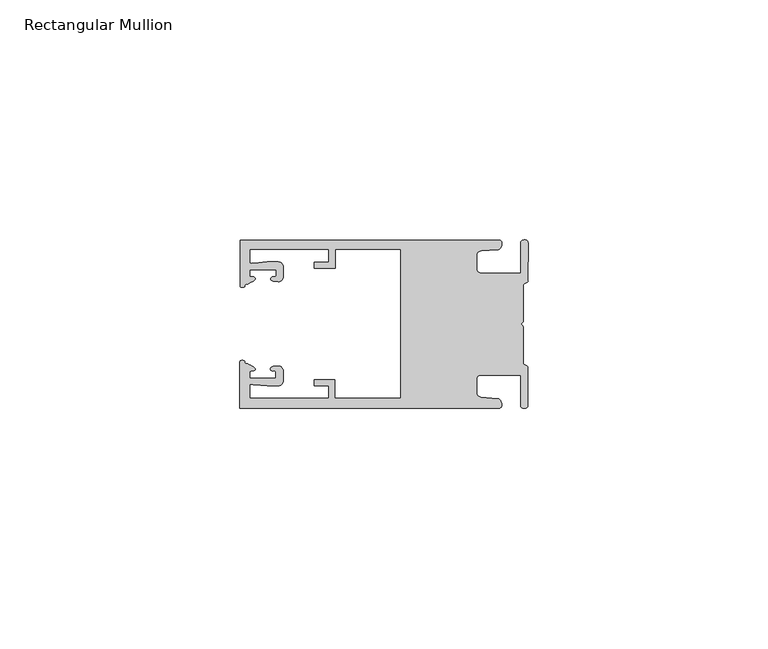
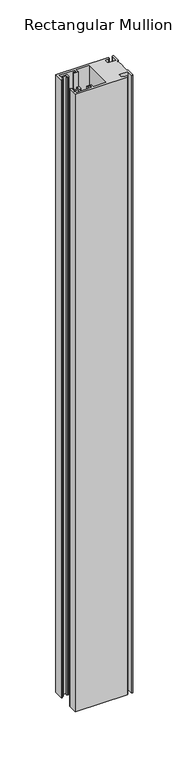
"""IFC4 building model written with IfcOpenShell, lengths in millimetres: member geometry, Rectangular Mullion."""

from ifc_helpers import new_model, si_unit, frame, origin, place, context, project, spatial, circle_curve, source, transform, mapped, element, save
from ifc_brep_helpers import plane_surface, cylinder_surface, extruded_surface, spline_curve, advanced_brep


def rectangular_mullion_b3fd3b33(model_context):
    return source(origin(), model_context, "Body", "AdvancedBrep", [
        advanced_brep(
        [(-60.0749377, 17.5111528, 0.0), (-60.0749377, 8.0140787, 0.0), (-59.3252567, 7.7187455, 0.0), (-58.4967974, 8.36785, 0.0), (-58.0726619, 10.1173923, 0.0), (-58.0713101, 11.3673916, 0.0), (-52.5713133, 11.3614437, 0.0), (-52.5726651, 10.1114444, 0.0), (-53.1427626, 8.8955539, 0.0), (-52.0740172, 8.8609044, 0.0), (-51.0729364, 9.8598224, 0.0), (-51.0706653, 11.9598211, 0.0), (-52.0700692, 12.9609024, 0.0), (-54.3905105, 12.9622843, 0.0), (-57.1599646, 12.7230061, 0.0), (-58.0696339, 12.9173907, 0.0), (-58.066768, 15.5673891, 0.0), (-41.5667584, 15.5673891, 0.0), (-41.5695894, 12.9495468, 0.0), (-44.5695877, 12.9527912, 0.0), (-44.5709936, 11.6527919, 0.0), (-40.2709961, 11.6481417, 0.0), (-40.2667576, 15.5673891, 0.0), (-26.6002952, 15.5673891, 0.0), (-26.6002952, -15.4518424, 0.0), (-40.3003032, -15.4518424, 0.0), (-40.2960856, -11.5518447, 0.0), (-44.5960831, -11.5471945, 0.0), (-44.597489, -12.8471938, 0.0), (-41.5974907, -12.8504381, 0.0), (-41.6003025, -15.4504366, 0.0), (-58.1002928, -15.4325927, 0.0), (-58.097427, -12.7825943, 0.0), (-57.1873395, -12.5901776, 0.0), (-54.4184094, -12.8354453, 0.0), (-52.0979705, -12.8390822, 0.0), (-51.0964037, -11.8401649, 0.0), (-51.0941327, -9.7401662, 0.0), (-52.0930507, -8.7390853, 0.0), (-53.1618685, -8.7714231, 0.0), (-52.5944022, -9.9885439, 0.0), (-52.595754, -11.2385431, 0.0), (-58.0957508, -11.2325952, 0.0), (-58.094399, -9.9825959, 0.0), (-58.5147494, -8.2321403, 0.0), (-59.3418028, -7.5812455, 0.0), (-60.0921208, -7.8749565, 0.0), (-60.0921208, -17.4888267, 0.0), (-6.1024861, -17.4888267, 0.0), (-6.5218639, -15.488372, 0.0), (-9.8784944, -15.2205466, 0.0), (-10.7989567, -14.2226333, 0.0), (-10.7961029, -11.5837474, 0.0), (-9.8734844, -10.5878272, 0.0), (-1.5950266, -10.5934991, 0.0), (-1.601948, -16.9936935, 0.0), (-0.1017194, -16.7830581, 0.0), (-0.0933208, -9.0170082, 0.0), (-1.0923837, -8.1499018, 0.0), (-1.0842165, -0.5977972, 0.0), (-1.0829111, 0.6093089, 0.0), (-1.0747439, 8.1614135, 0.0), (-0.0738079, 9.026357, 0.0), (-0.0654093, 16.7924069, 0.0), (-1.5651789, 17.0062866, 0.0), (-1.5651789, 10.6183257, 0.0), (-9.8505511, 10.6183257, 0.0), (-10.7710133, 11.6162391, 0.0), (-10.7681595, 14.255125, 0.0), (-9.845541, 15.2510452, 0.0), (-6.4883391, 15.5116099, 0.0), (-6.0646356, 17.5111528, 0.0), (-60.0749377, 17.5111528, -677.0), (-6.0646356, 17.5111528, -677.0), (-6.4883391, 15.5116099, -677.0), (-9.845541, 15.2510452, -677.0), (-10.7681595, 14.255125, -677.0), (-10.7710133, 11.6162391, -677.0), (-9.8505511, 10.6183257, -677.0), (-1.5651789, 10.6183257, -677.0), (-1.5651789, 17.0062866, -677.0), (-0.0654093, 16.7924069, -677.0), (-0.0738079, 9.026357, -677.0), (-1.0747439, 8.1614135, -677.0), (-1.0829111, 0.6093089, -677.0), (-1.0842165, -0.5977972, -677.0), (-1.0923837, -8.1499018, -677.0), (-0.0933208, -9.0170082, -677.0), (-0.1017194, -16.7830581, -677.0), (-1.601948, -16.9936935, -677.0), (-1.5950266, -10.5934991, -677.0), (-9.8734844, -10.5878272, -677.0), (-10.7961029, -11.5837474, -677.0), (-10.7989567, -14.2226333, -677.0), (-9.8784944, -15.2205466, -677.0), (-6.5218639, -15.488372, -677.0), (-6.1024861, -17.4888267, -677.0), (-60.0921208, -17.4888267, -677.0), (-60.0921208, -7.8749565, -677.0), (-59.3418028, -7.5812455, -677.0), (-58.5147494, -8.2321403, -677.0), (-58.094399, -9.9825959, -677.0), (-58.0957508, -11.2325952, -677.0), (-52.595754, -11.2385431, -677.0), (-52.5944022, -9.9885439, -677.0), (-53.1618685, -8.7714231, -677.0), (-52.0930507, -8.7390853, -677.0), (-51.0941327, -9.7401662, -677.0), (-51.0964037, -11.8401649, -677.0), (-52.0979705, -12.8390823, -677.0), (-54.4184094, -12.8354453, -677.0), (-57.1873395, -12.5901776, -677.0), (-58.097427, -12.7825943, -677.0), (-58.1002928, -15.4325927, -677.0), (-41.6003025, -15.4504366, -677.0), (-41.5974907, -12.8504381, -677.0), (-44.597489, -12.8471938, -677.0), (-44.5960831, -11.5471945, -677.0), (-40.2960856, -11.5518447, -677.0), (-40.3003032, -15.4518424, -677.0), (-26.6002952, -15.4518424, -677.0), (-26.6002952, 15.5673891, -677.0), (-40.2667576, 15.5673891, -677.0), (-40.2709961, 11.6481417, -677.0), (-44.5709936, 11.6527919, -677.0), (-44.5695877, 12.9527912, -677.0), (-41.5695894, 12.9495468, -677.0), (-41.5667584, 15.5673891, -677.0), (-58.066768, 15.5673891, -677.0), (-58.0696339, 12.9173907, -677.0), (-57.1599646, 12.7230061, -677.0), (-54.3905105, 12.9622843, -677.0), (-52.0700692, 12.9609023, -677.0), (-51.0706653, 11.9598211, -677.0), (-51.0729364, 9.8598224, -677.0), (-52.0740172, 8.8609044, -677.0), (-53.1427626, 8.8955539, -677.0), (-52.5726651, 10.1114444, -677.0), (-52.5713133, 11.3614437, -677.0), (-58.0713101, 11.3673916, -677.0), (-58.0726619, 10.1173923, -677.0), (-58.4967974, 8.36785, -677.0), (-59.3252567, 7.7187455, -677.0), (-60.0749377, 8.0140787, -677.0)],
        [
            (0, 1),
            (1, 2, spline_curve(3, [(-60.0749377, 8.0140787, 0.0), (-60.075233123, 7.740904774, 0.0), (-59.825339491, 7.642460332, 0.0), (-59.3252567, 7.7187455, 0.0)], [4, 4], [0.0, 0.0019169337574178654])),
            (2, 3, spline_curve(3, [(-59.3252567, 7.7187455, 0.0), (-59.094460914, 7.75918372, 0.0), (-59.054835463, 7.902257199, 0.0), (-59.05559987, 8.233305614, 0.0), (-59.138729113, 8.4134359, 0.0), (-58.4967974, 8.36785, 0.0)], [4, 2, 4], [0.0, 0.0010199524164107188, 0.0024874514725970356])),
            (3, 4, spline_curve(3, [(-58.4967974, 8.36785, 0.0), (-57.022393378, 9.053435667, 0.0), (-56.827266887, 9.364828726, 0.0), (-56.982213078, 9.742623404, 0.0), (-57.177375211, 9.855581791, 0.0), (-57.697928101, 9.887955071, 0.0), (-57.997449153, 9.835475348, 0.0), (-58.0726619, 10.1173923, 0.0)], [4, 2, 2, 4], [0.0, 0.003269869179570428, 0.005490050486237203, 0.0073545767114364426])),
            (4, 5),
            (5, 6),
            (6, 7),
            (7, 8, spline_curve(3, [(-52.5726651, 10.1114444, 0.0), (-52.667195519, 9.760172042, 0.0), (-52.937094388, 9.861877724, 0.0), (-53.356237032, 9.895631753, 0.0), (-53.491940439, 9.811038713, 0.0), (-53.761900775, 9.511438033, 0.0), (-53.892893546, 9.278787104, 0.0), (-53.1427626, 8.8955539, 0.0)], [4, 2, 2, 4], [0.0, 0.001593963049934732, 0.0033360256320283306, 0.005339140673503943])),
            (8, 9),
            (9, 10, circle_curve(frame((-52.0729358, 9.8609038, 0.0), z_axis=(0.0, 0.0, 1.0), x_axis=(-0.0010814451158600304, -0.9999994152380598, 0.0)), 1.0)),
            (10, 11),
            (11, 12, circle_curve(frame((-52.0706647, 11.9609026, 0.0), z_axis=(0.0, 0.0, 1.0), x_axis=(-0.0010814451158600304, -0.9999994152380598, 0.0)), 1.0)),
            (12, 13),
            (13, 14),
            (14, 15, spline_curve(3, [(-57.1599646, 12.7230061, 0.0), (-57.631533854, 12.682262968, 0.0), (-58.018602985, 12.477800124, 0.0), (-58.0696339, 12.9173907, 0.0)], [4, 4], [0.0, 0.0014803385355886016])),
            (15, 16),
            (16, 17),
            (17, 18),
            (18, 19),
            (19, 20),
            (20, 21),
            (21, 22),
            (22, 23),
            (23, 24),
            (24, 25),
            (25, 26),
            (26, 27),
            (27, 28),
            (28, 29),
            (29, 30),
            (30, 31),
            (31, 32),
            (32, 33, spline_curve(3, [(-58.097427, -12.7825943, 0.0), (-58.045445419, -12.343115126, 0.0), (-57.658819528, -12.548414611, 0.0), (-57.1873395, -12.5901776, 0.0)], [4, 4], [0.0, 0.0014803385355886016])),
            (33, 34),
            (34, 35),
            (35, 36, circle_curve(frame((-52.0964031, -11.8390835, 0.0), z_axis=(0.0, 0.0, 1.0), x_axis=(0.0010814451158600304, 0.9999994152380598, 0.0)), 1.0)),
            (36, 37),
            (37, 38, circle_curve(frame((-52.0941321, -9.7390847, 0.0), z_axis=(0.0, 0.0, 1.0), x_axis=(0.0010814451158600304, 0.9999994152380598, 0.0)), 1.0)),
            (38, 39),
            (39, 40, spline_curve(3, [(-53.1618685, -8.7714231, 0.0), (-53.912826582, -9.153032958, 0.0), (-53.782337352, -9.385966711, 0.0), (-53.51302565, -9.686150585, 0.0), (-53.377505444, -9.771037009, 0.0), (-52.958290774, -9.738189618, 0.0), (-52.688172635, -9.637067904, 0.0), (-52.5944022, -9.9885439, 0.0)], [4, 2, 2, 4], [0.0, 0.002003115041475612, 0.0037451776235692107, 0.005339140673503943])),
            (40, 41),
            (41, 42),
            (42, 43),
            (43, 44, spline_curve(3, [(-58.094399, -9.9825959, 0.0), (-58.018576674, -9.700842284, 0.0), (-57.719169706, -9.753969703, 0.0), (-57.198548014, -9.722722397, 0.0), (-57.003142178, -9.61018632, 0.0), (-56.847379222, -9.232727657, 0.0), (-57.041831673, -8.920913336, 0.0), (-58.5147494, -8.2321403, 0.0)], [4, 2, 2, 4], [0.0, 0.0018645262251992395, 0.004084707531866015, 0.0073545767114364426])),
            (44, 45, spline_curve(3, [(-58.5147494, -8.2321403, 0.0), (-59.156778208, -8.276337666, 0.0), (-59.073259494, -8.096387681, 0.0), (-59.071779067, -7.765341694, 0.0), (-59.111095017, -7.622182811, 0.0), (-59.3418028, -7.5812455, 0.0)], [4, 2, 4], [0.0, 0.0014674990561863168, 0.0024874514725970356])),
            (45, 46, spline_curve(3, [(-59.3418028, -7.5812455, 0.0), (-59.841719425, -7.503878887, 0.0), (-60.091825377, -7.601782574, 0.0), (-60.0921208, -7.8749565, 0.0)], [4, 4], [0.0, 0.0019169337574178654])),
            (46, 47),
            (47, 48),
            (48, 49, spline_curve(3, [(-6.1024861, -17.4888267, 0.0), (-5.074532184, -17.418062188, 0.0), (-5.631140689, -15.411414367, 0.0), (-6.5218639, -15.488372, 0.0)], [4, 4], [0.0, 0.0043819361547461745])),
            (49, 50),
            (50, 51, spline_curve(3, [(-9.8784944, -15.2205466, 0.0), (-10.440691543, -15.150698463, 0.0), (-10.74751234, -14.818060727, 0.0), (-10.7989567, -14.2226333, 0.0)], [4, 4], [0.0, 0.0028645797420738927])),
            (51, 52),
            (52, 53, spline_curve(3, [(-10.7961029, -11.5837474, 0.0), (-10.743370817, -10.988432634, 0.0), (-10.435831301, -10.656459204, 0.0), (-9.8734844, -10.5878272, 0.0)], [4, 4], [0.0, 0.0028645797420738927])),
            (53, 54),
            (54, 55),
            (55, 56, spline_curve(3, [(-1.601948, -16.9936935, 0.0), (-1.655676874, -17.600261454, 0.0), (-0.043737403, -17.912795581, 0.0), (-0.1017194, -16.7830581, 0.0)], [4, 4], [0.0, 0.0036987374396357936])),
            (56, 57),
            (57, 58, spline_curve(3, [(-0.0933208, -9.0170082, 0.0), (-0.018818183, -8.695886697, 0.0), (-1.193434327, -8.459763043, 0.0), (-1.0923837, -8.1499018, 0.0)], [4, 4], [0.0, 0.002027216749630121])),
            (58, 59),
            (59, 60, spline_curve(3, [(-1.0842165, -0.5977972, 0.0), (-1.013223198, -0.445980437, 0.0), (-1.487945123, -0.206736825, 0.0), (-1.487409651, 0.231097965, 0.0), (-0.999110985, 0.429090391, 0.0), (-1.0829111, 0.6093089, 0.0)], [4, 2, 4], [0.0, 0.00249866671847065, 0.005031402919736269])),
            (60, 61),
            (61, 62, spline_curve(3, [(-1.0747439, 8.1614135, 0.0), (-1.175124095, 8.47149258, 0.0), (-7e-09, 8.705075107, 0.0), (-0.0738079, 9.026357, 0.0)], [4, 4], [0.0, 0.002027216749630121])),
            (62, 63),
            (63, 64, spline_curve(3, [(-0.0654093, 16.7924069, 0.0), (-0.004983942, 17.92201633, 0.0), (-1.617595709, 17.612969344, 0.0), (-1.5651789, 17.0062866, 0.0)], [4, 4], [0.0, 0.0036987374396357936])),
            (64, 65),
            (65, 66),
            (66, 67, spline_curve(3, [(-9.8505511, 10.6183257, 0.0), (-10.412748243, 10.688173837, 0.0), (-10.71956894, 11.020811673, 0.0), (-10.7710133, 11.6162391, 0.0)], [4, 4], [0.0, 0.0028645797420738927])),
            (67, 68),
            (68, 69, spline_curve(3, [(-10.7681595, 14.255125, 0.0), (-10.715427417, 14.850439766, 0.0), (-10.407887901, 15.182413196, 0.0), (-9.845541, 15.2510452, 0.0)], [4, 4], [0.0, 0.0028645797420738927])),
            (69, 70),
            (70, 71, spline_curve(3, [(-6.4883391, 15.5116099, 0.0), (-5.597784423, 15.432725911, 0.0), (-5.036837144, 17.438165103, 0.0), (-6.0646356, 17.5111528, 0.0)], [4, 4], [0.0, 0.0043819361547461745])),
            (71, 0),
            (72, 73),
            (73, 74, spline_curve(3, [(-6.0646356, 17.5111528, -677.0), (-5.036837144, 17.438165103, -677.0), (-5.597784423, 15.432725911, -677.0), (-6.4883391, 15.5116099, -677.0)], [4, 4], [0.0, 0.0043819361547461745])),
            (74, 75),
            (75, 76, spline_curve(3, [(-9.845541, 15.2510452, -677.0), (-10.407887901, 15.182413196, -677.0), (-10.715427417, 14.850439766, -677.0), (-10.7681595, 14.255125, -677.0)], [4, 4], [0.0, 0.0028645797420738927])),
            (76, 77),
            (77, 78, spline_curve(3, [(-10.7710133, 11.6162391, -677.0), (-10.71956894, 11.020811673, -677.0), (-10.412748243, 10.688173837, -677.0), (-9.8505511, 10.6183257, -677.0)], [4, 4], [0.0, 0.0028645797420738927])),
            (78, 79),
            (79, 80),
            (80, 81, spline_curve(3, [(-1.5651789, 17.0062866, -677.0), (-1.617595709, 17.612969344, -677.0), (-0.004983942, 17.92201633, -677.0), (-0.0654093, 16.7924069, -677.0)], [4, 4], [0.0, 0.0036987374396357936])),
            (81, 82),
            (82, 83, spline_curve(3, [(-0.0738079, 9.026357, -677.0), (-7e-09, 8.705075107, -677.0), (-1.175124095, 8.47149258, -677.0), (-1.0747439, 8.1614135, -677.0)], [4, 4], [0.0, 0.002027216749630121])),
            (83, 84),
            (84, 85, spline_curve(3, [(-1.0829111, 0.6093089, -677.0), (-0.999110985, 0.429090391, -677.0), (-1.487409651, 0.231097965, -677.0), (-1.487945123, -0.206736825, -677.0), (-1.013223198, -0.445980437, -677.0), (-1.0842165, -0.5977972, -677.0)], [4, 2, 4], [0.0, 0.002532736201265619, 0.005031402919736269])),
            (85, 86),
            (86, 87, spline_curve(3, [(-1.0923837, -8.1499018, -677.0), (-1.193434327, -8.459763043, -677.0), (-0.018818183, -8.695886697, -677.0), (-0.0933208, -9.0170082, -677.0)], [4, 4], [0.0, 0.002027216749630121])),
            (87, 88),
            (88, 89, spline_curve(3, [(-0.1017194, -16.7830581, -677.0), (-0.043737403, -17.912795581, -677.0), (-1.655676874, -17.600261454, -677.0), (-1.601948, -16.9936935, -677.0)], [4, 4], [0.0, 0.0036987374396357936])),
            (89, 90),
            (90, 91),
            (91, 92, spline_curve(3, [(-9.8734844, -10.5878272, -677.0), (-10.435831301, -10.656459204, -677.0), (-10.743370817, -10.988432634, -677.0), (-10.7961029, -11.5837474, -677.0)], [4, 4], [0.0, 0.0028645797420738927])),
            (92, 93),
            (93, 94, spline_curve(3, [(-10.7989567, -14.2226333, -677.0), (-10.74751234, -14.818060727, -677.0), (-10.440691543, -15.150698463, -677.0), (-9.8784944, -15.2205466, -677.0)], [4, 4], [0.0, 0.0028645797420738927])),
            (94, 95),
            (95, 96, spline_curve(3, [(-6.5218639, -15.488372, -677.0), (-5.631140689, -15.411414367, -677.0), (-5.074532184, -17.418062188, -677.0), (-6.1024861, -17.4888267, -677.0)], [4, 4], [0.0, 0.0043819361547461745])),
            (96, 97),
            (97, 98),
            (98, 99, spline_curve(3, [(-60.0921208, -7.8749565, -677.0), (-60.091825377, -7.601782574, -677.0), (-59.841719425, -7.503878887, -677.0), (-59.3418028, -7.5812455, -677.0)], [4, 4], [0.0, 0.0019169337574178654])),
            (99, 100, spline_curve(3, [(-59.3418028, -7.5812455, -677.0), (-59.111095017, -7.622182811, -677.0), (-59.071779067, -7.765341694, -677.0), (-59.073259494, -8.096387681, -677.0), (-59.156778208, -8.276337666, -677.0), (-58.5147494, -8.2321403, -677.0)], [4, 2, 4], [0.0, 0.0010199524164107188, 0.0024874514725970356])),
            (100, 101, spline_curve(3, [(-58.5147494, -8.2321403, -677.0), (-57.041831673, -8.920913336, -677.0), (-56.847379222, -9.232727657, -677.0), (-57.003142178, -9.61018632, -677.0), (-57.198548014, -9.722722397, -677.0), (-57.719169706, -9.753969703, -677.0), (-58.018576674, -9.700842284, -677.0), (-58.094399, -9.9825959, -677.0)], [4, 2, 2, 4], [0.0, 0.003269869179570428, 0.005490050486237203, 0.0073545767114364426])),
            (101, 102),
            (102, 103),
            (103, 104),
            (104, 105, spline_curve(3, [(-52.5944022, -9.9885439, -677.0), (-52.688172635, -9.637067904, -677.0), (-52.958290774, -9.738189618, -677.0), (-53.377505444, -9.771037009, -677.0), (-53.51302565, -9.686150585, -677.0), (-53.782337352, -9.385966711, -677.0), (-53.912826582, -9.153032958, -677.0), (-53.1618685, -8.7714231, -677.0)], [4, 2, 2, 4], [0.0, 0.001593963049934732, 0.0033360256320283306, 0.005339140673503943])),
            (105, 106),
            (106, 107, circle_curve(frame((-52.0941321, -9.7390847, -677.0), z_axis=(0.0, 0.0, -1.0), x_axis=(0.0010814451158600304, 0.9999994152380598, 0.0)), 1.0)),
            (107, 108),
            (108, 109, circle_curve(frame((-52.0964031, -11.8390835, -677.0), z_axis=(0.0, 0.0, -1.0), x_axis=(0.0010814451158600304, 0.9999994152380598, 0.0)), 1.0)),
            (109, 110),
            (110, 111),
            (111, 112, spline_curve(3, [(-57.1873395, -12.5901776, -677.0), (-57.658819528, -12.548414611, -677.0), (-58.045445419, -12.343115126, -677.0), (-58.097427, -12.7825943, -677.0)], [4, 4], [0.0, 0.0014803385355886016])),
            (112, 113),
            (113, 114),
            (114, 115),
            (115, 116),
            (116, 117),
            (117, 118),
            (118, 119),
            (119, 120),
            (120, 121),
            (121, 122),
            (122, 123),
            (123, 124),
            (124, 125),
            (125, 126),
            (126, 127),
            (127, 128),
            (128, 129),
            (129, 130, spline_curve(3, [(-58.0696339, 12.9173907, -677.0), (-58.018602985, 12.477800124, -677.0), (-57.631533854, 12.682262968, -677.0), (-57.1599646, 12.7230061, -677.0)], [4, 4], [0.0, 0.0014803385355886016])),
            (130, 131),
            (131, 132),
            (132, 133, circle_curve(frame((-52.0706647, 11.9609026, -677.0), z_axis=(0.0, 0.0, -1.0), x_axis=(-0.0010814451158600304, -0.9999994152380598, 0.0)), 1.0)),
            (133, 134),
            (134, 135, circle_curve(frame((-52.0729358, 9.8609038, -677.0), z_axis=(0.0, 0.0, -1.0), x_axis=(-0.0010814451158600304, -0.9999994152380598, 0.0)), 1.0)),
            (135, 136),
            (136, 137, spline_curve(3, [(-53.1427626, 8.8955539, -677.0), (-53.892893546, 9.278787104, -677.0), (-53.761900775, 9.511438033, -677.0), (-53.491940439, 9.811038713, -677.0), (-53.356237032, 9.895631753, -677.0), (-52.937094388, 9.861877724, -677.0), (-52.667195519, 9.760172042, -677.0), (-52.5726651, 10.1114444, -677.0)], [4, 2, 2, 4], [0.0, 0.002003115041475612, 0.0037451776235692107, 0.005339140673503943])),
            (137, 138),
            (138, 139),
            (139, 140),
            (140, 141, spline_curve(3, [(-58.0726619, 10.1173923, -677.0), (-57.997449153, 9.835475348, -677.0), (-57.697928101, 9.887955071, -677.0), (-57.177375211, 9.855581791, -677.0), (-56.982213078, 9.742623404, -677.0), (-56.827266887, 9.364828726, -677.0), (-57.022393378, 9.053435667, -677.0), (-58.4967974, 8.36785, -677.0)], [4, 2, 2, 4], [0.0, 0.0018645262251992395, 0.004084707531866015, 0.0073545767114364426])),
            (141, 142, spline_curve(3, [(-58.4967974, 8.36785, -677.0), (-59.138729113, 8.4134359, -677.0), (-59.05559987, 8.233305614, -677.0), (-59.054835463, 7.902257199, -677.0), (-59.094460914, 7.75918372, -677.0), (-59.3252567, 7.7187455, -677.0)], [4, 2, 4], [0.0, 0.0014674990561863168, 0.0024874514725970356])),
            (142, 143, spline_curve(3, [(-59.3252567, 7.7187455, -677.0), (-59.825339491, 7.642460332, -677.0), (-60.075233123, 7.740904774, -677.0), (-60.0749377, 8.0140787, -677.0)], [4, 4], [0.0, 0.0019169337574178654])),
            (143, 72),
            (0, 72),
            (143, 1),
            (142, 2),
            (141, 3),
            (140, 4),
            (139, 5),
            (138, 6),
            (137, 7),
            (136, 8),
            (135, 9),
            (134, 10),
            (133, 11),
            (132, 12),
            (131, 13),
            (130, 14),
            (129, 15),
            (128, 16),
            (127, 17),
            (126, 18),
            (125, 19),
            (124, 20),
            (123, 21),
            (122, 22),
            (121, 23),
            (120, 24),
            (119, 25),
            (118, 26),
            (117, 27),
            (116, 28),
            (115, 29),
            (114, 30),
            (113, 31),
            (112, 32),
            (111, 33),
            (110, 34),
            (109, 35),
            (108, 36),
            (107, 37),
            (106, 38),
            (105, 39),
            (104, 40),
            (103, 41),
            (102, 42),
            (101, 43),
            (100, 44),
            (99, 45),
            (98, 46),
            (97, 47),
            (96, 48),
            (95, 49),
            (94, 50),
            (93, 51),
            (92, 52),
            (91, 53),
            (90, 54),
            (89, 55),
            (88, 56),
            (87, 57),
            (86, 58),
            (85, 59),
            (84, 60),
            (83, 61),
            (82, 62),
            (81, 63),
            (80, 64),
            (79, 65),
            (78, 66),
            (77, 67),
            (76, 68),
            (75, 69),
            (74, 70),
            (73, 71),
        ],
        [
            plane_surface(frame((0.0, -62.5853181, 0.0), z_axis=(0.0, 0.0, 1.0), x_axis=(-1.0, 0.0, 0.0))),
            plane_surface(frame((0.0, -62.5853181, -677.0), z_axis=(0.0, 0.0, -1.0), x_axis=(-1.0, 0.0, 0.0))),
            plane_surface(frame((-60.0749377, 17.5111528, 0.0), z_axis=(-1.0, 0.0, 0.0), x_axis=(0.0, 0.0, -1.0))),
            extruded_surface(spline_curve(3, [(-60.0749377, 8.0140787, -677.0), (-60.075233123, 7.740904774, -677.0), (-59.825339491, 7.642460332, -677.0), (-59.3252567, 7.7187455, -677.0)], [4, 4], [0.0, 0.0019169337574178654]), (0.0, 0.0, 677.0), 677.0),
            extruded_surface(spline_curve(3, [(-59.3252567, 7.7187455, -677.0), (-59.094460914, 7.75918372, -677.0), (-59.054835463, 7.902257199, -677.0), (-59.05559987, 8.233305614, -677.0), (-59.138729113, 8.4134359, -677.0), (-58.4967974, 8.36785, -677.0)], [4, 2, 4], [0.0, 0.0010199524164107188, 0.0024874514725970356]), (0.0, 0.0, 677.0), 677.0),
            extruded_surface(spline_curve(3, [(-58.4967974, 8.36785, -677.0), (-57.022393378, 9.053435667, -677.0), (-56.827266887, 9.364828726, -677.0), (-56.982213078, 9.742623404, -677.0), (-57.177375211, 9.855581791, -677.0), (-57.697928101, 9.887955071, -677.0), (-57.997449153, 9.835475348, -677.0), (-58.0726619, 10.1173923, -677.0)], [4, 2, 2, 4], [0.0, 0.003269869179570428, 0.005490050486237203, 0.0073545767114364426]), (0.0, 0.0, 677.0), 677.0),
            plane_surface(frame((-58.0726619, 10.1173923, 0.0), z_axis=(0.9999994152380598, -0.0010814451158634145, 0.0), x_axis=(0.0, 0.0, -1.0))),
            plane_surface(frame((-58.0713101, 11.3673916, 0.0), z_axis=(-0.0010814451158616418, -0.9999994152380598, 0.0), x_axis=(0.0, 0.0, -1.0))),
            plane_surface(frame((-52.5713133, 11.3614437, 0.0), z_axis=(-0.9999994152380598, 0.0010814451158643293, 0.0), x_axis=(0.0, 0.0, -1.0))),
            extruded_surface(spline_curve(3, [(-52.5726651, 10.1114444, -677.0), (-52.667195519, 9.760172042, -677.0), (-52.937094388, 9.861877724, -677.0), (-53.356237032, 9.895631753, -677.0), (-53.491940439, 9.811038713, -677.0), (-53.761900775, 9.511438033, -677.0), (-53.892893546, 9.278787104, -677.0), (-53.1427626, 8.8955539, -677.0)], [4, 2, 2, 4], [0.0, 0.001593963049934732, 0.0033360256320283306, 0.005339140673503943]), (0.0, 0.0, 677.0), 677.0),
            plane_surface(frame((-53.1427626, 8.8955539, 0.0), z_axis=(-0.032403661401520414, -0.9994748634797054, 0.0), x_axis=(0.0, 0.0, -1.0))),
            cylinder_surface(frame((-52.0729358, 9.8609038, 0.0), z_axis=(0.0, 0.0, 1.0000000000000002), x_axis=(-0.0010814451158600304, -0.9999994152380598, 0.0)), 1.0),
            plane_surface(frame((-51.0729364, 9.8598224, 0.0), z_axis=(0.9999994152380598, -0.001081445115864059, 0.0), x_axis=(0.0, 0.0, -1.0))),
            cylinder_surface(frame((-52.0706647, 11.9609026, 0.0), z_axis=(0.0, 0.0, 1.0000000000000002), x_axis=(-0.0010814451158600304, -0.9999994152380598, 0.0)), 1.0),
            plane_surface(frame((-52.0700692, 12.9609023, 0.0), z_axis=(0.0005955716436318007, 0.999999822647193, 0.0), x_axis=(0.0, 0.0, -1.0))),
            plane_surface(frame((-54.3905105, 12.9622843, 0.0), z_axis=(-0.08607836189159865, 0.9962883697073147, 0.0), x_axis=(0.0, 0.0, -1.0))),
            extruded_surface(spline_curve(3, [(-57.1599646, 12.7230061, -677.0), (-57.631533854, 12.682262968, -677.0), (-58.018602985, 12.477800124, -677.0), (-58.0696339, 12.9173907, -677.0)], [4, 4], [0.0, 0.0014803385355886016]), (0.0, 0.0, 677.0), 677.0),
            plane_surface(frame((-58.0696339, 12.9173907, 0.0), z_axis=(0.9999994152380598, -0.0010814451158629996, 0.0), x_axis=(0.0, 0.0, -1.0))),
            plane_surface(frame((-58.066768, 15.5673891, 0.0), z_axis=(0.0, -1.0, 0.0), x_axis=(0.0, 0.0, -1.0))),
            plane_surface(frame((-41.5667584, 15.5673891, 0.0), z_axis=(-0.9999994152380598, 0.0010814451158636304, 0.0), x_axis=(0.0, 0.0, -1.0))),
            plane_surface(frame((-41.5695894, 12.9495468, 0.0), z_axis=(0.0010814451158615687, 0.9999994152380598, 0.0), x_axis=(0.0, 0.0, -1.0))),
            plane_surface(frame((-44.5695877, 12.9527912, 0.0), z_axis=(-0.9999994152380598, 0.0010814451158626742, 0.0), x_axis=(0.0, 0.0, -1.0))),
            plane_surface(frame((-44.5709936, 11.6527919, 0.0), z_axis=(-0.001081445115861604, -0.9999994152380598, 0.0), x_axis=(0.0, 0.0, -1.0))),
            plane_surface(frame((-40.2709961, 11.6481417, 0.0), z_axis=(0.9999994152380598, -0.001081445115863507, 0.0), x_axis=(0.0, 0.0, -1.0))),
            plane_surface(frame((-40.2667576, 15.5673891, 0.0), z_axis=(0.0, -1.0, 0.0), x_axis=(0.0, 0.0, -1.0))),
            plane_surface(frame((-26.6002952, 15.5673891, 0.0), z_axis=(-1.0, 0.0, 0.0), x_axis=(0.0, 0.0, -1.0))),
            plane_surface(frame((-26.6002952, -15.4518424, 0.0), z_axis=(0.0, 1.0, 0.0), x_axis=(0.0, 0.0, -1.0))),
            plane_surface(frame((-40.3003032, -15.4518424, 0.0), z_axis=(0.9999994152380598, -0.0010814451158565538, 0.0), x_axis=(0.0, 0.0, -1.0))),
            plane_surface(frame((-40.2960856, -11.5518447, 0.0), z_axis=(0.0010814451158584568, 0.9999994152380598, 0.0), x_axis=(0.0, 0.0, -1.0))),
            plane_surface(frame((-44.5960831, -11.5471945, 0.0), z_axis=(-0.9999994152380598, 0.0010814451158573867, 0.0), x_axis=(0.0, 0.0, -1.0))),
            plane_surface(frame((-44.597489, -12.8471938, 0.0), z_axis=(-0.0010814451158584922, -0.9999994152380598, 0.0), x_axis=(0.0, 0.0, -1.0))),
            plane_surface(frame((-41.5974907, -12.8504381, 0.0), z_axis=(-0.9999994152380598, 0.0010814451158564305, 0.0), x_axis=(0.0, 0.0, -1.0))),
            plane_surface(frame((-41.6003025, -15.4504366, 0.0), z_axis=(0.0010814451158583872, 0.9999994152380598, 0.0), x_axis=(0.0, 0.0, -1.0))),
            plane_surface(frame((-58.1002928, -15.4325927, 0.0), z_axis=(0.9999994152380598, -0.0010814451158570612, 0.0), x_axis=(0.0, 0.0, -1.0))),
            extruded_surface(spline_curve(3, [(-58.097427, -12.7825943, -677.0), (-58.045445419, -12.343115126, -677.0), (-57.658819528, -12.548414611, -677.0), (-57.1873395, -12.5901776, -677.0)], [4, 4], [0.0, 0.0014803385355886016]), (0.0, 0.0, 677.0), 677.0),
            plane_surface(frame((-57.1873395, -12.5901776, 0.0), z_axis=(-0.0882330216729926, -0.9960998614026876, 0.0), x_axis=(0.0, 0.0, -1.0))),
            plane_surface(frame((-54.4184094, -12.8354453, 0.0), z_axis=(-0.0015673183327880543, -0.9999987717558677, 0.0), x_axis=(0.0, 0.0, -1.0))),
            cylinder_surface(frame((-52.0964031, -11.8390835, 0.0), z_axis=(0.0, 0.0, 1.0000000000000002), x_axis=(0.0010814451158600304, 0.9999994152380598, 0.0)), 1.0),
            plane_surface(frame((-51.0964037, -11.8401649, 0.0), z_axis=(0.9999994152380598, -0.001081445115856002, 0.0), x_axis=(0.0, 0.0, -1.0))),
            cylinder_surface(frame((-52.0941321, -9.7390847, 0.0), z_axis=(0.0, 0.0, 1.0000000000000002), x_axis=(0.0010814451158600304, 0.9999994152380598, 0.0)), 1.0),
            plane_surface(frame((-52.0930507, -8.7390853, 0.0), z_axis=(-0.030241832452872642, 0.9995426111826812, 0.0), x_axis=(0.0, 0.0, -1.0))),
            extruded_surface(spline_curve(3, [(-53.1618685, -8.7714231, -677.0), (-53.912826582, -9.153032958, -677.0), (-53.782337352, -9.385966711, -677.0), (-53.51302565, -9.686150585, -677.0), (-53.377505444, -9.771037009, -677.0), (-52.958290774, -9.738189618, -677.0), (-52.688172635, -9.637067904, -677.0), (-52.5944022, -9.9885439, -677.0)], [4, 2, 2, 4], [0.0, 0.002003115041475612, 0.0037451776235692107, 0.005339140673503943]), (0.0, 0.0, 677.0), 677.0),
            plane_surface(frame((-52.5944022, -9.9885439, 0.0), z_axis=(-0.9999994152380598, 0.0010814451158557316, 0.0), x_axis=(0.0, 0.0, -1.0))),
            plane_surface(frame((-52.595754, -11.2385431, 0.0), z_axis=(0.001081445115858419, 0.9999994152380598, 0.0), x_axis=(0.0, 0.0, -1.0))),
            plane_surface(frame((-58.0957508, -11.2325952, 0.0), z_axis=(0.9999994152380598, -0.0010814451158566464, 0.0), x_axis=(0.0, 0.0, -1.0))),
            extruded_surface(spline_curve(3, [(-58.094399, -9.9825959, -677.0), (-58.018576674, -9.700842284, -677.0), (-57.719169706, -9.753969703, -677.0), (-57.198548014, -9.722722397, -677.0), (-57.003142178, -9.61018632, -677.0), (-56.847379222, -9.232727657, -677.0), (-57.041831673, -8.920913336, -677.0), (-58.5147494, -8.2321403, -677.0)], [4, 2, 2, 4], [0.0, 0.0018645262251992395, 0.004084707531866015, 0.0073545767114364426]), (0.0, 0.0, 677.0), 677.0),
            extruded_surface(spline_curve(3, [(-58.5147494, -8.2321403, -677.0), (-59.156778208, -8.276337666, -677.0), (-59.073259494, -8.096387681, -677.0), (-59.071779067, -7.765341694, -677.0), (-59.111095017, -7.622182811, -677.0), (-59.3418028, -7.5812455, -677.0)], [4, 2, 4], [0.0, 0.0014674990561863168, 0.0024874514725970356]), (0.0, 0.0, 677.0), 677.0),
            extruded_surface(spline_curve(3, [(-59.3418028, -7.5812455, -677.0), (-59.841719425, -7.503878887, -677.0), (-60.091825377, -7.601782574, -677.0), (-60.0921208, -7.8749565, -677.0)], [4, 4], [0.0, 0.0019169337574178654]), (0.0, 0.0, 677.0), 677.0),
            plane_surface(frame((-60.0921208, -7.8749565, 0.0), z_axis=(-1.0, 0.0, 0.0), x_axis=(0.0, 0.0, -1.0))),
            plane_surface(frame((-60.0921208, -17.4888267, 0.0), z_axis=(0.0, -1.0, 0.0), x_axis=(0.0, 0.0, -1.0))),
            extruded_surface(spline_curve(3, [(-6.1024861, -17.4888267, -677.0), (-5.074532184, -17.418062188, -677.0), (-5.631140689, -15.411414367, -677.0), (-6.5218639, -15.488372, -677.0)], [4, 4], [0.0, 0.0043819361547461745]), (0.0, 0.0, 677.0), 677.0),
            plane_surface(frame((-6.5218639, -15.488372, 0.0), z_axis=(0.07953716124904908, 0.9968319015663789, 0.0), x_axis=(0.0, 0.0, -1.0))),
            extruded_surface(spline_curve(3, [(-9.8784944, -15.2205466, -677.0), (-10.440691543, -15.150698463, -677.0), (-10.74751234, -14.818060727, -677.0), (-10.7989567, -14.2226333, -677.0)], [4, 4], [0.0, 0.0028645797420738927]), (0.0, 0.0, 677.0), 677.0),
            plane_surface(frame((-10.7989567, -14.2226333, 0.0), z_axis=(0.9999994152380598, -0.0010814451158568247, 0.0), x_axis=(0.0, 0.0, -1.0))),
            extruded_surface(spline_curve(3, [(-10.7961029, -11.5837474, -677.0), (-10.743370817, -10.988432634, -677.0), (-10.435831301, -10.656459204, -677.0), (-9.8734844, -10.5878272, -677.0)], [4, 4], [0.0, 0.0028645797420738927]), (0.0, 0.0, 677.0), 677.0),
            plane_surface(frame((-9.8734844, -10.5878272, 0.0), z_axis=(-0.0006851371995361226, -0.9999997652934814, 0.0), x_axis=(0.0, 0.0, -1.0))),
            plane_surface(frame((-1.5950266, -10.5934991, 0.0), z_axis=(-0.9999994152380598, 0.0010814451158568644, 0.0), x_axis=(0.0, 0.0, -1.0))),
            extruded_surface(spline_curve(3, [(-1.601948, -16.9936935, -677.0), (-1.655676874, -17.600261454, -677.0), (-0.043737403, -17.912795581, -677.0), (-0.1017194, -16.7830581, -677.0)], [4, 4], [0.0, 0.0036987374396357936]), (0.0, 0.0, 677.0), 677.0),
            plane_surface(frame((-0.1017194, -16.7830581, 0.0), z_axis=(0.9999994152380598, -0.001081445115856699, 0.0), x_axis=(0.0, 0.0, -1.0))),
            extruded_surface(spline_curve(3, [(-0.0933208, -9.0170082, -677.0), (-0.018818183, -8.695886697, -677.0), (-1.193434327, -8.459763043, -677.0), (-1.0923837, -8.1499018, -677.0)], [4, 4], [0.0, 0.002027216749630121]), (0.0, 0.0, 677.0), 677.0),
            plane_surface(frame((-1.0923837, -8.1499018, 0.0), z_axis=(0.9999994152380598, -0.0010814451158566698, 0.0), x_axis=(0.0, 0.0, -1.0))),
            extruded_surface(spline_curve(3, [(-1.0842165, -0.5977972, -677.0), (-1.013223198, -0.445980437, -677.0), (-1.487945123, -0.206736825, -677.0), (-1.487409651, 0.231097965, -677.0), (-0.999110985, 0.429090391, -677.0), (-1.0829111, 0.6093089, -677.0)], [4, 2, 4], [0.0, 0.00249866671847065, 0.005031402919736269]), (0.0, 0.0, 677.0), 677.0),
            plane_surface(frame((-1.0829111, 0.6093089, 0.0), z_axis=(0.9999994152380598, -0.001081445115863391, 0.0), x_axis=(0.0, 0.0, -1.0))),
            extruded_surface(spline_curve(3, [(-1.0747439, 8.1614135, -677.0), (-1.175124095, 8.47149258, -677.0), (-7e-09, 8.705075107, -677.0), (-0.0738079, 9.026357, -677.0)], [4, 4], [0.0, 0.002027216749630121]), (0.0, 0.0, 677.0), 677.0),
            plane_surface(frame((-0.0738079, 9.026357, 0.0), z_axis=(0.9999994152380598, -0.001081445115863362, 0.0), x_axis=(0.0, 0.0, -1.0))),
            extruded_surface(spline_curve(3, [(-0.0654093, 16.7924069, -677.0), (-0.004983942, 17.92201633, -677.0), (-1.617595709, 17.612969344, -677.0), (-1.5651789, 17.0062866, -677.0)], [4, 4], [0.0, 0.0036987374396357936]), (0.0, 0.0, 677.0), 677.0),
            plane_surface(frame((-1.5651789, 17.0062866, 0.0), z_axis=(-1.0, 0.0, 0.0), x_axis=(0.0, 0.0, -1.0))),
            plane_surface(frame((-1.5651789, 10.6183257, 0.0), z_axis=(0.0, 1.0, 0.0), x_axis=(0.0, 0.0, -1.0))),
            extruded_surface(spline_curve(3, [(-9.8505511, 10.6183257, -677.0), (-10.412748243, 10.688173837, -677.0), (-10.71956894, 11.020811673, -677.0), (-10.7710133, 11.6162391, -677.0)], [4, 4], [0.0, 0.0028645797420738927]), (0.0, 0.0, 677.0), 677.0),
            plane_surface(frame((-10.7710133, 11.6162391, 0.0), z_axis=(0.9999994152380598, -0.0010814451158632362, 0.0), x_axis=(0.0, 0.0, -1.0))),
            extruded_surface(spline_curve(3, [(-10.7681595, 14.255125, -677.0), (-10.715427417, 14.850439766, -677.0), (-10.407887901, 15.182413196, -677.0), (-9.845541, 15.2510452, -677.0)], [4, 4], [0.0, 0.0028645797420738927]), (0.0, 0.0, 677.0), 677.0),
            plane_surface(frame((-9.845541, 15.2510452, 0.0), z_axis=(0.07738093848608862, -0.9970015999781607, 0.0), x_axis=(0.0, 0.0, -1.0))),
            extruded_surface(spline_curve(3, [(-6.4883391, 15.5116099, -677.0), (-5.597784423, 15.432725911, -677.0), (-5.036837144, 17.438165103, -677.0), (-6.0646356, 17.5111528, -677.0)], [4, 4], [0.0, 0.0043819361547461745]), (0.0, 0.0, 677.0), 677.0),
            plane_surface(frame((-6.0646356, 17.5111528, 0.0), z_axis=(0.0, 1.0, 0.0), x_axis=(0.0, 0.0, -1.0))),
        ],
        [
            (0, [[1, 2, 3, 4, 5, 6, 7, 8, 9, 10, 11, 12, 13, 14, 15, 16, 17, 18, 19, 20, 21, 22, 23, 24, 25, 26, 27, 28, 29, 30, 31, 32, 33, 34, 35, 36, 37, 38, 39, 40, 41, 42, 43, 44, 45, 46, 47, 48, 49, 50, 51, 52, 53, 54, 55, 56, 57, 58, 59, 60, 61, 62, 63, 64, 65, 66, 67, 68, 69, 70, 71, 72]]),
            (1, [[73, 74, 75, 76, 77, 78, 79, 80, 81, 82, 83, 84, 85, 86, 87, 88, 89, 90, 91, 92, 93, 94, 95, 96, 97, 98, 99, 100, 101, 102, 103, 104, 105, 106, 107, 108, 109, 110, 111, 112, 113, 114, 115, 116, 117, 118, 119, 120, 121, 122, 123, 124, 125, 126, 127, 128, 129, 130, 131, 132, 133, 134, 135, 136, 137, 138, 139, 140, 141, 142, 143, 144]]),
            (2, [[-1, 145, -144, 146]]),
            (3, [[-2, -146, -143, 147]]),
            (4, [[-3, -147, -142, 148]]),
            (5, [[-4, -148, -141, 149]]),
            (6, [[-5, -149, -140, 150]]),
            (7, [[-6, -150, -139, 151]]),
            (8, [[-7, -151, -138, 152]]),
            (9, [[-8, -152, -137, 153]]),
            (10, [[-9, -153, -136, 154]]),
            (11, [[-10, -154, -135, 155]]),
            (12, [[-11, -155, -134, 156]]),
            (13, [[-12, -156, -133, 157]]),
            (14, [[-13, -157, -132, 158]]),
            (15, [[-14, -158, -131, 159]]),
            (16, [[-15, -159, -130, 160]]),
            (17, [[-16, -160, -129, 161]]),
            (18, [[-17, -161, -128, 162]]),
            (19, [[-18, -162, -127, 163]]),
            (20, [[-19, -163, -126, 164]]),
            (21, [[-20, -164, -125, 165]]),
            (22, [[-21, -165, -124, 166]]),
            (23, [[-22, -166, -123, 167]]),
            (24, [[-23, -167, -122, 168]]),
            (25, [[-24, -168, -121, 169]]),
            (26, [[-25, -169, -120, 170]]),
            (27, [[-26, -170, -119, 171]]),
            (28, [[-27, -171, -118, 172]]),
            (29, [[-28, -172, -117, 173]]),
            (30, [[-29, -173, -116, 174]]),
            (31, [[-30, -174, -115, 175]]),
            (32, [[-31, -175, -114, 176]]),
            (33, [[-32, -176, -113, 177]]),
            (34, [[-33, -177, -112, 178]]),
            (35, [[-34, -178, -111, 179]]),
            (36, [[-35, -179, -110, 180]]),
            (37, [[-36, -180, -109, 181]]),
            (38, [[-37, -181, -108, 182]]),
            (39, [[-38, -182, -107, 183]]),
            (40, [[-39, -183, -106, 184]]),
            (41, [[-40, -184, -105, 185]]),
            (42, [[-41, -185, -104, 186]]),
            (43, [[-42, -186, -103, 187]]),
            (44, [[-43, -187, -102, 188]]),
            (45, [[-44, -188, -101, 189]]),
            (46, [[-45, -189, -100, 190]]),
            (47, [[-46, -190, -99, 191]]),
            (48, [[-47, -191, -98, 192]]),
            (49, [[-48, -192, -97, 193]]),
            (50, [[-49, -193, -96, 194]]),
            (51, [[-50, -194, -95, 195]]),
            (52, [[-51, -195, -94, 196]]),
            (53, [[-52, -196, -93, 197]]),
            (54, [[-53, -197, -92, 198]]),
            (55, [[-54, -198, -91, 199]]),
            (56, [[-55, -199, -90, 200]]),
            (57, [[-56, -200, -89, 201]]),
            (58, [[-57, -201, -88, 202]]),
            (59, [[-58, -202, -87, 203]]),
            (60, [[-59, -203, -86, 204]]),
            (61, [[-60, -204, -85, 205]]),
            (62, [[-61, -205, -84, 206]]),
            (63, [[-62, -206, -83, 207]]),
            (64, [[-63, -207, -82, 208]]),
            (65, [[-64, -208, -81, 209]]),
            (66, [[-65, -209, -80, 210]]),
            (67, [[-66, -210, -79, 211]]),
            (68, [[-67, -211, -78, 212]]),
            (69, [[-68, -212, -77, 213]]),
            (70, [[-69, -213, -76, 214]]),
            (71, [[-70, -214, -75, 215]]),
            (72, [[-71, -215, -74, 216]]),
            (73, [[-72, -216, -73, -145]]),
        ],
    ),
    ])


if __name__ == "__main__":
    model = new_model("IFC4")
    model_context = context("Model", 3, world=origin())
    ifc_project = project(units=[si_unit("LENGTHUNIT", "METRE", prefix="MILLI")], contexts=[model_context])
    site = spatial("IfcSite", under=ifc_project)
    building = spatial("IfcBuilding", under=site)
    placement = place(None, origin())
    rectangular_mullion_shape = rectangular_mullion_b3fd3b33(model_context)
    element("IfcMember", 1, ObjectType="Rectangular Mullion", at=placement, inside=building, context=model_context, shape_type="MappedRepresentation", body=[
        mapped(rectangular_mullion_shape, transform((0.0, 0.0, 0.0), x_axis=(1.0, 0.0, 0.0), y_axis=(0.0, 1.0, 0.0), z_axis=(0.0, 0.0, 1.0))),
    ])
    save(model, "model.ifc")
